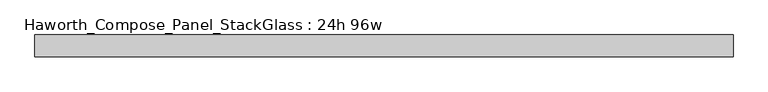
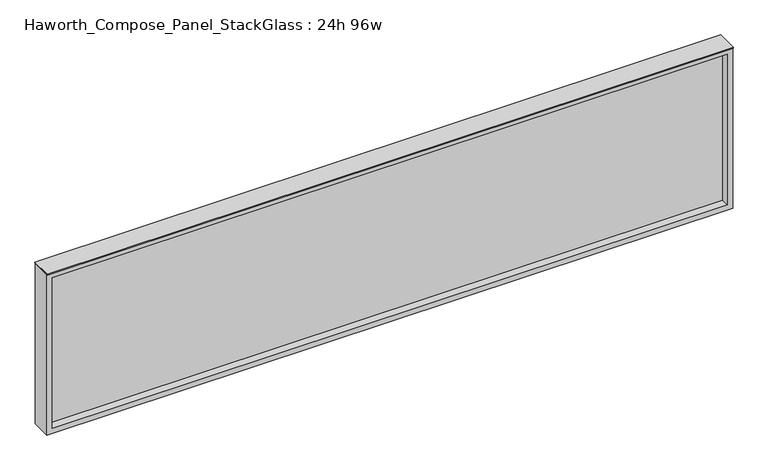
"""IFC4 building model written with IfcOpenShell, lengths in millimetres: furniture geometry, Haworth_Compose_Panel_StackGlass : 24h 96w."""

from ifc_helpers import new_model, si_unit, frame, origin, place, context, project, spatial, polyline, outline, extrude, source, transform, mapped, element, save


def haworth_compose_panel_stackglass_24h_96w_44d8c0aa(model_context):
    return source(origin(), model_context, "Body", "SweptSolid", [
        extrude(outline(polyline([(1202.5902902, -6.35), (-1197.7097098, -6.35), (-1197.7097098, 6.35), (1202.5902902, 6.35), (1202.5902902, -6.35)])), frame((0.0, 0.0, 1085.85), z_axis=(0.0, 0.0, 1.0), x_axis=(1.0, 0.0, 0.0)), (0.0, 0.0, 1.0), 565.15),
        extrude(outline(polyline([(1670.05, -1216.7597098), (1066.8, -1216.7597098), (1066.8, 1221.6402902), (1670.05, 1221.6402902), (1670.05, -1216.7597098)]), holes=[polyline([(1651.0, 1202.5902902), (1085.85, 1202.5902902), (1085.85, -1197.7097098), (1651.0, -1197.7097098), (1651.0, 1202.5902902)])]), frame((0.0, -34.925, 0.0), z_axis=(0.0, 1.0, 0.0), x_axis=(0.0, 0.0, 1.0)), (0.0, 0.0, 1.0), 69.85),
        extrude(outline(polyline([(-1216.7597098, -38.1), (-1216.7597098, 38.1), (1221.6402902, 38.1), (1221.6402902, -38.1), (-1216.7597098, -38.1)])), frame((0.0, 0.0, 1670.05), z_axis=(0.0, 0.0, 1.0), x_axis=(1.0, 0.0, 0.0)), (0.0, 0.0, 1.0), 3.175),
    ])


if __name__ == "__main__":
    model = new_model("IFC4")
    model_context = context("Model", 3, world=origin())
    ifc_project = project(units=[si_unit("LENGTHUNIT", "METRE", prefix="MILLI")], contexts=[model_context])
    site = spatial("IfcSite", under=ifc_project)
    building = spatial("IfcBuilding", under=site)
    placement = place(None, origin())
    haworth_compose_panel_stackglass_24h_96w_shape = haworth_compose_panel_stackglass_24h_96w_44d8c0aa(model_context)
    element("IfcFurniture", 1, ObjectType="Haworth_Compose_Panel_StackGlass : 24h 96w", at=placement, inside=building, context=model_context, shape_type="MappedRepresentation", body=[
        mapped(haworth_compose_panel_stackglass_24h_96w_shape, transform((0.0, 0.0, 0.0), x_axis=(1.0, 0.0, 0.0), y_axis=(0.0, 1.0, 0.0), z_axis=(0.0, 0.0, 1.0))),
    ])
    save(model, "model.ifc")
